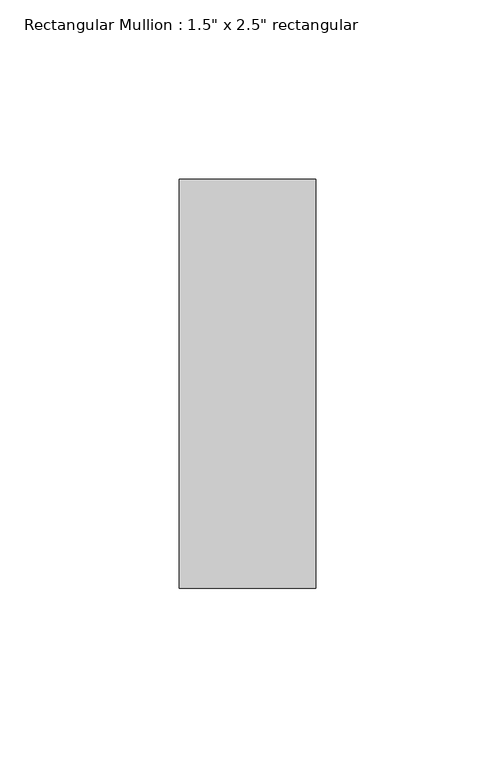
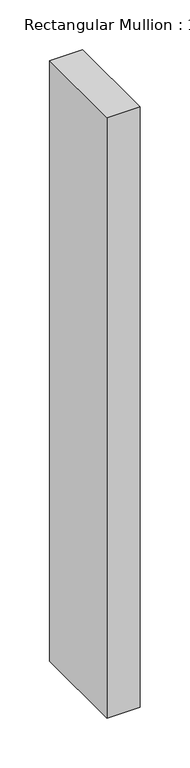
"""IFC4 building model written with IfcOpenShell, lengths in millimetres: member geometry."""

from ifc_helpers import new_model, si_unit, frame, origin, place, context, project, spatial, polyline, outline, extrude, source, transform, mapped, element, save


def member_cf4e7374(model_context):
    return source(origin(), model_context, "Body", "SweptSolid", [
        extrude(outline(polyline([(0.0, 57.15), (0.0, -57.15), (-38.1, -57.15), (-38.1, 57.15), (0.0, 57.15)])), frame((0.0, 0.0, -733.425), z_axis=(0.0, 0.0, 1.0), x_axis=(1.0, 0.0, 0.0)), (0.0, 0.0, 1.0), 733.425),
    ])


if __name__ == "__main__":
    model = new_model("IFC4")
    model_context = context("Model", 3, world=origin())
    ifc_project = project(units=[si_unit("LENGTHUNIT", "METRE", prefix="MILLI")], contexts=[model_context])
    site = spatial("IfcSite", under=ifc_project)
    building = spatial("IfcBuilding", under=site)
    placement = place(None, origin())
    member_shape = member_cf4e7374(model_context)
    element("IfcMember", 1, ObjectType="Rectangular Mullion : 1.5\" x 2.5\" rectangular", at=placement, inside=building, context=model_context, shape_type="MappedRepresentation", body=[
        mapped(member_shape, transform((0.0, 0.0, 0.0), x_axis=(1.0, 0.0, 0.0), y_axis=(0.0, 1.0, 0.0), z_axis=(0.0, 0.0, 1.0))),
    ])
    save(model, "model.ifc")
